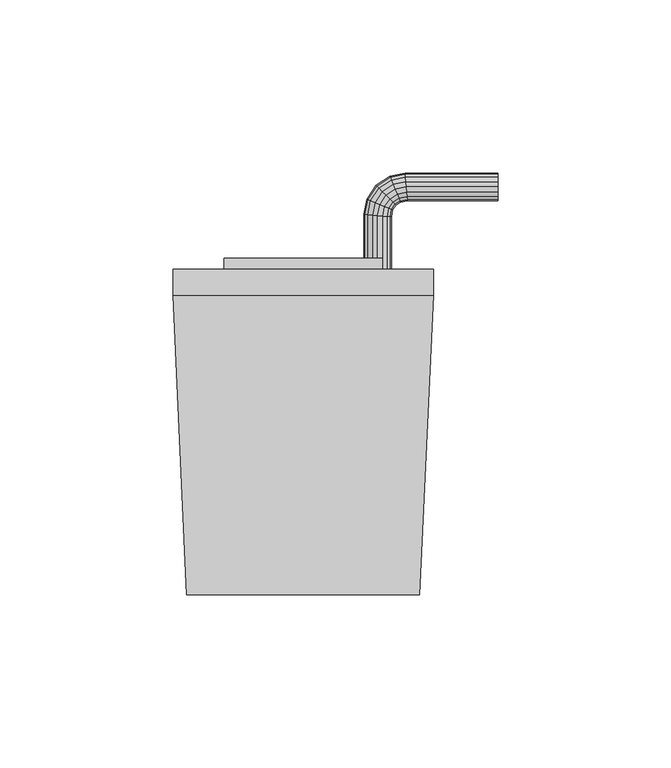
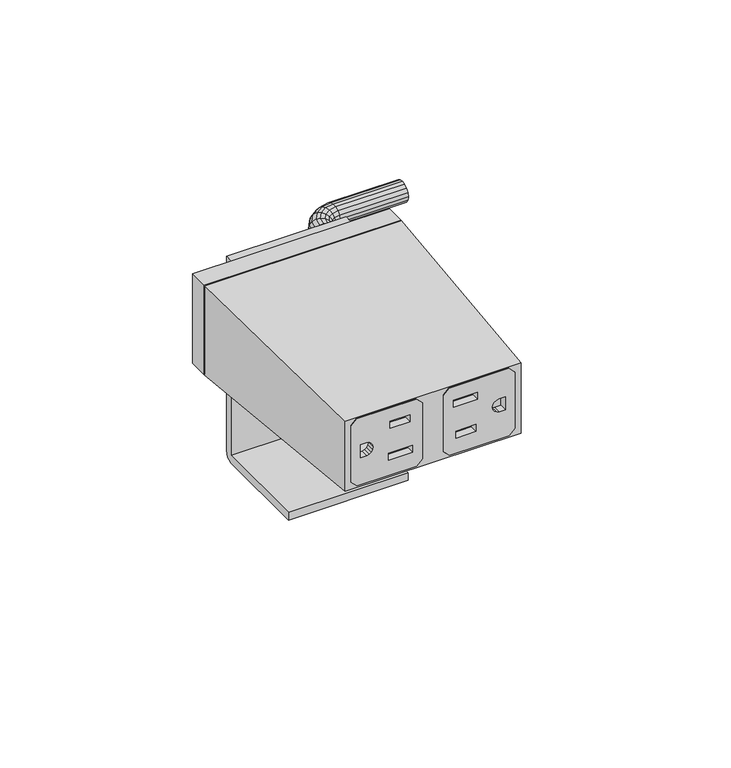
"""IFC4 building model written with IfcOpenShell, lengths in millimetres: furniture geometry."""

from ifc_helpers import new_model, si_unit, frame, origin, place, context, project, spatial, polyline, outline, extrude, faceted_brep, source, transform, mapped, element, save


def furniture_4c536125(model_context):
    return source(origin(), model_context, "Body", "SolidModel", [
        extrude(outline(polyline([(74.8380896, -4.0957506), (77.1240647, -6.3817506), (77.1240647, -28.9877501), (74.8380896, -31.2737502), (52.2323428, -31.2737502), (49.9463688, -28.9877501), (49.9463688, -6.3817506), (52.2323428, -4.0957506), (74.8380896, -4.0957506)]), holes=[polyline([(58.9378678, -17.0497501), (58.9378678, -7.8041503), (56.0931003, -7.8041503), (56.0931003, -17.0497501), (58.9378678, -17.0497501)]), polyline([(60.9190457, -27.7177513), (66.1513878, -27.7177513), (66.1513878, -25.4571494), (65.9522425, -24.455975), (65.3851282, -23.6072169), (64.5363814, -23.0400958), (63.5352162, -22.8409505), (62.5340509, -23.0400958), (61.6853041, -23.6072169), (61.1181898, -24.455975), (60.9190457, -25.4571494), (60.9190457, -27.7177513)]), polyline([(68.8437584, -16.3893503), (71.6885248, -16.3893503), (71.6885248, -8.7185505), (68.8437584, -8.7185505), (68.8437584, -16.3893503)])]), frame((0.0, -88.4491157, 0.0), z_axis=(0.0, 1.0, 0.0), x_axis=(0.0, 0.0, 1.0)), (0.0, 0.0, 1.0), 2.9898066),
        extrude(outline(polyline([(74.8380896, 4.0957506), (52.2323428, 4.0957506), (49.9463688, 6.3817506), (49.9463688, 28.9877501), (52.2323428, 31.2737502), (74.8380896, 31.2737502), (77.1240647, 28.9877501), (77.1240647, 6.3817506), (74.8380896, 4.0957506)]), holes=[polyline([(58.9378678, 8.7185505), (58.9378678, 16.3893503), (56.0931003, 16.3893503), (56.0931003, 8.7185505), (58.9378678, 8.7185505)]), polyline([(68.8437584, 17.0497501), (68.8437584, 7.8041503), (71.6885248, 7.8041503), (71.6885248, 17.0497501), (68.8437584, 17.0497501)]), polyline([(60.9190457, 27.7177513), (60.9190457, 25.4571494), (61.1181898, 24.455975), (61.6853041, 23.6072169), (62.5340509, 23.0400958), (63.5352162, 22.8409505), (64.5363814, 23.0400958), (65.3851282, 23.6072169), (65.9522425, 24.455975), (66.1513878, 25.4571494), (66.1513878, 27.7177513), (60.9190457, 27.7177513)])]), frame((0.0, -88.4491157, 0.0), z_axis=(0.0, 1.0, 0.0), x_axis=(0.0, 0.0, 1.0)), (0.0, 0.0, 1.0), 2.9898066),
        extrude(outline(polyline([(37.592001, -2.032), (-37.592, -2.032), (-37.592, 5.5880001), (37.592001, 5.5880001), (37.592001, -2.032)])), frame((0.0, 0.0, 45.437717), z_axis=(0.0, 0.0, 1.0), x_axis=(1.0, 0.0, 0.0)), (0.0, 0.0, 1.0), 36.1950001),
        faceted_brep([(-37.592, -2.032, 45.437717), (37.592001, -2.032, 45.437717), (33.6550002, -88.3919971, 49.3112173), (-33.6550002, -88.3919971, 49.3112173), (-37.592001, -2.032, 81.6327171), (37.592001, -2.032, 81.6327171), (-33.6550002, -88.3919971, 77.7592162), (33.6550002, -88.3919971, 77.7592162), (6.3817506, -88.3919971, 77.1240647), (28.9877501, -88.3919971, 77.1240647), (31.2737502, -88.3919971, 74.8380896), (31.2737502, -88.3919971, 52.2323428), (28.9877501, -88.3919971, 49.9463688), (6.3817506, -88.3919971, 49.9463688), (4.0957506, -88.3919971, 52.2323428), (4.0957506, -88.3919971, 74.8380896), (-28.9877501, -88.3919971, 77.1240647), (-6.3817506, -88.3919971, 77.1240647), (-4.0957506, -88.3919971, 74.8380896), (-4.0957506, -88.3919971, 52.2323428), (-6.3817506, -88.3919971, 49.9463688), (-28.9877501, -88.3919971, 49.9463688), (-31.2737502, -88.3919971, 52.2323428), (-31.2737502, -88.3919971, 74.8380896), (28.9877501, -85.4593091, 77.1240647), (6.3817506, -85.4593091, 77.1240647), (4.0957506, -85.4593091, 74.8380896), (4.0957506, -85.4593091, 52.2323428), (6.3817506, -85.4593091, 49.9463688), (28.9877501, -85.4593091, 49.9463688), (31.2737502, -85.4593091, 52.2323428), (31.2737502, -85.4593091, 74.8380896), (-28.9877501, -37.5919971, 77.1240647), (-31.2737502, -37.5919971, 74.8380896), (-31.2737502, -37.5919971, 52.2323428), (-28.9877501, -37.5919971, 49.9463688), (-6.3817506, -37.5919971, 49.9463688), (-4.0957506, -37.5919971, 52.2323428), (-4.0957506, -37.5919971, 74.8380896), (-6.3817506, -37.5919971, 77.1240647)], [[[0, 1, 2, 3]], [[1, 0, 4, 5]], [[5, 4, 6, 7]], [[3, 2, 7, 6], [8, 9, 10, 11, 12, 13, 14, 15], [16, 17, 18, 19, 20, 21, 22, 23]], [[2, 1, 5, 7]], [[0, 3, 6, 4]], [[24, 25, 26, 27, 28, 29, 30, 31]], [[25, 24, 9, 8]], [[26, 25, 8, 15]], [[27, 26, 15, 14]], [[28, 27, 14, 13]], [[29, 28, 13, 12]], [[30, 29, 12, 11]], [[31, 30, 11, 10]], [[24, 31, 10, 9]], [[32, 33, 34, 35, 36, 37, 38, 39]], [[32, 39, 17, 16]], [[39, 38, 18, 17]], [[38, 37, 19, 18]], [[37, 36, 20, 19]], [[36, 35, 21, 20]], [[35, 34, 22, 21]], [[34, 33, 23, 22]], [[33, 32, 16, 23]]]),
        faceted_brep([(20.0180808, 5.4788193, 71.5805895), (18.7325876, 5.4769809, 70.7216484), (17.8736479, 5.4757526, 69.436155), (17.5720548, 5.4753213, 67.9199395), (17.873716, 5.4757527, 66.4033622), (18.7325876, 5.4769809, 65.1179684), (20.0180808, 5.4788193, 64.2590296), (21.5344237, 5.4809879, 63.9574083), (23.0507666, 5.4831564, 64.2590296), (24.336262, 5.4849948, 65.1179684), (25.1952006, 5.4862232, 66.4034641), (25.4968196, 5.4866546, 67.9198096), (25.1952006, 5.4862232, 69.436155), (24.336262, 5.4849948, 70.7216484), (23.0507666, 5.4831564, 71.5805895), (21.5344237, 5.4809879, 71.8822085), (19.9956209, 21.1837505, 71.5805895), (18.7099466, 21.3086084, 70.7216484), (17.8508858, 21.3920358, 69.436155), (17.5492502, 21.421329, 67.9199395), (17.8509539, 21.3920291, 66.4033622), (18.7099466, 21.3086084, 65.1179684), (19.9956209, 21.1837505, 64.2590296), (21.5121776, 21.0364707, 63.9574083), (23.0287343, 20.8891908, 64.2590296), (24.3144109, 20.7643327, 65.1179684), (25.1734705, 20.6809054, 66.4034641), (25.475132, 20.6516097, 67.9198096), (25.1734705, 20.6809054, 69.436155), (24.3144109, 20.7643327, 70.7216484), (23.0287343, 20.8891908, 71.5805895), (21.5121776, 21.0364707, 71.8822085), (20.707322, 24.786131, 71.5805895), (19.495763, 25.2861346, 70.7216484), (18.6862245, 25.6202266, 69.436155), (18.4019773, 25.7375338, 67.9199395), (18.6862887, 25.6202001, 66.4033622), (19.495763, 25.2861346, 65.1179684), (20.707322, 24.786131, 64.2590296), (22.1364536, 24.1963364, 63.9574083), (23.5655853, 23.6065418, 64.2590296), (24.7771464, 23.1065373, 65.1179684), (25.5866838, 22.7724457, 66.4034641), (25.8709554, 22.6551284, 67.9198096), (25.5866838, 22.7724457, 69.436155), (24.7771464, 23.1065373, 70.7216484), (23.5655853, 23.6065418, 71.5805895), (22.1364536, 24.1963364, 71.8822085), (22.8277956, 27.9685751, 71.5805895), (21.899804, 28.8941617, 70.7216484), (21.2797394, 29.5126194, 69.436155), (21.0620207, 29.7297739, 67.9199395), (21.2797886, 29.5125704, 66.4033622), (21.899804, 28.8941617, 65.1179684), (22.8277956, 27.9685751, 64.2590296), (23.9224365, 26.876771, 63.9574083), (25.0170775, 25.7849668, 64.2590296), (25.9450707, 24.8593786, 65.1179684), (26.5651345, 24.2409217, 66.4034641), (26.7828718, 24.0237486, 67.9198096), (26.5651345, 24.2409217, 69.436155), (25.9450707, 24.8593786, 70.7216484), (25.0170775, 25.7849668, 71.5805895), (23.9224365, 26.876771, 71.8822085), (26.0047262, 30.0972995, 71.5805895), (25.5015806, 31.3075571, 70.7216484), (25.1653892, 32.116226, 69.436155), (25.0473448, 32.4001679, 67.9199395), (25.1654159, 32.1161619, 66.4033622), (25.5015806, 31.3075571, 65.1179684), (26.0047262, 30.0972995, 64.2590296), (26.5982271, 28.6697029, 63.9574083), (27.1917279, 27.2421064, 64.2590296), (27.6948744, 26.0318467, 65.1179684), (28.0310654, 25.2231789, 66.4034641), (28.1491199, 24.9392126, 67.9198096), (28.0310654, 25.2231789, 69.436155), (27.6948744, 26.0318467, 70.7216484), (27.1917279, 27.2421064, 71.5805895), (26.5982271, 28.6697029, 71.8822085), (29.6057718, 30.8184496, 71.5805895), (29.4780246, 32.1038849, 70.7216484), (29.3926665, 32.962786, 69.436155), (29.3626954, 33.2643656, 67.9199395), (29.3926733, 32.9627179, 66.4033622), (29.4780246, 32.1038849, 65.1179684), (29.6057718, 30.8184496, 64.2590296), (29.75646, 29.3021748, 63.9574083), (29.9071482, 27.7859, 64.2590296), (30.0348956, 26.5004624, 65.1179684), (30.1202536, 25.6415624, 66.4034641), (30.1502273, 25.339957, 67.9198096), (30.1202536, 25.6415624, 69.436155), (30.0348956, 26.5004624, 70.7216484), (29.9071482, 27.7859, 71.5805895), (29.75646, 29.3021748, 71.8822085), (56.2581771, 30.8308094, 71.5805895), (56.2588803, 29.3144651, 71.8822085), (56.2595835, 27.7981208, 71.5805895), (56.2601796, 26.5126242, 70.7216484), (56.2605779, 25.6536848, 69.436155), (56.2607178, 25.3520655, 67.9198096), (56.2605779, 25.6536848, 66.4034641), (56.2601796, 26.5126242, 65.1179684), (56.2595835, 27.7981208, 64.2590296), (56.2588803, 29.3144651, 63.9574083), (56.2581771, 30.8308094, 64.2590296), (56.2575809, 32.1163037, 65.1179684), (56.2571826, 32.9751762, 66.4033622), (56.2570428, 33.2768377, 67.9199395), (56.2571826, 32.9752443, 69.436155), (56.2575809, 32.1163037, 70.7216484)], [[[0, 1, 2, 3, 4, 5, 6, 7, 8, 9, 10, 11, 12, 13, 14, 15]], [[1, 0, 16, 17]], [[2, 1, 17, 18]], [[3, 2, 18, 19]], [[4, 3, 19, 20]], [[5, 4, 20, 21]], [[6, 5, 21, 22]], [[7, 6, 22, 23]], [[8, 7, 23, 24]], [[9, 8, 24, 25]], [[10, 9, 25, 26]], [[11, 10, 26, 27]], [[12, 11, 27, 28]], [[13, 12, 28, 29]], [[14, 13, 29, 30]], [[15, 14, 30, 31]], [[0, 15, 31, 16]], [[17, 16, 32, 33]], [[18, 17, 33, 34]], [[19, 18, 34, 35]], [[20, 19, 35, 36]], [[21, 20, 36, 37]], [[22, 21, 37, 38]], [[23, 22, 38, 39]], [[24, 23, 39, 40]], [[25, 24, 40, 41]], [[26, 25, 41, 42]], [[27, 26, 42, 43]], [[28, 27, 43, 44]], [[29, 28, 44, 45]], [[30, 29, 45, 46]], [[31, 30, 46, 47]], [[16, 31, 47, 32]], [[33, 32, 48, 49]], [[34, 33, 49, 50]], [[35, 34, 50, 51]], [[36, 35, 51, 52]], [[37, 36, 52, 53]], [[38, 37, 53, 54]], [[39, 38, 54, 55]], [[40, 39, 55, 56]], [[41, 40, 56, 57]], [[42, 41, 57, 58]], [[43, 42, 58, 59]], [[44, 43, 59, 60]], [[45, 44, 60, 61]], [[46, 45, 61, 62]], [[47, 46, 62, 63]], [[32, 47, 63, 48]], [[49, 48, 64, 65]], [[50, 49, 65, 66]], [[51, 50, 66, 67]], [[52, 51, 67, 68]], [[53, 52, 68, 69]], [[54, 53, 69, 70]], [[55, 54, 70, 71]], [[56, 55, 71, 72]], [[57, 56, 72, 73]], [[58, 57, 73, 74]], [[59, 58, 74, 75]], [[60, 59, 75, 76]], [[61, 60, 76, 77]], [[62, 61, 77, 78]], [[63, 62, 78, 79]], [[48, 63, 79, 64]], [[65, 64, 80, 81]], [[66, 65, 81, 82]], [[67, 66, 82, 83]], [[68, 67, 83, 84]], [[69, 68, 84, 85]], [[70, 69, 85, 86]], [[71, 70, 86, 87]], [[72, 71, 87, 88]], [[73, 72, 88, 89]], [[74, 73, 89, 90]], [[75, 74, 90, 91]], [[76, 75, 91, 92]], [[77, 76, 92, 93]], [[78, 77, 93, 94]], [[79, 78, 94, 95]], [[64, 79, 95, 80]], [[96, 97, 98, 99, 100, 101, 102, 103, 104, 105, 106, 107, 108, 109, 110, 111]], [[81, 80, 96, 111]], [[82, 81, 111, 110]], [[83, 82, 110, 109]], [[84, 83, 109, 108]], [[85, 84, 108, 107]], [[86, 85, 107, 106]], [[87, 86, 106, 105]], [[88, 87, 105, 104]], [[89, 88, 104, 103]], [[90, 89, 103, 102]], [[91, 90, 102, 101]], [[92, 91, 101, 100]], [[93, 92, 100, 99]], [[94, 93, 99, 98]], [[95, 94, 98, 97]], [[80, 95, 97, 96]]]),
        extrude(outline(polyline([(8.7629999, 81.6327171), (8.7629999, 42.0370008), (7.8330643, 44.2820648), (5.5880001, 45.2120009), (5.5880001, 81.6327171), (8.7629999, 81.6327171)])), frame((-22.8600004, 0.0, 0.0), z_axis=(1.0, 0.0, 0.0), x_axis=(0.0, 1.0, 0.0)), (0.0, 0.0, 1.0), 45.7200018),
        extrude(outline(polyline([(8.7629999, 3.1750015), (7.8330643, 0.9299351), (5.5880001, 0.0), (-32.3850006, 0.0), (-32.3850006, 3.1750015), (5.5880001, 3.1750015), (5.5880001, 40.5130008), (5.141631, 41.5906315), (4.0639999, 42.0370008), (-26.2889996, 42.0370008), (-26.2889996, 45.2120009), (5.5880001, 45.2120009), (7.8330643, 44.2820648), (8.7629999, 42.0370008), (8.7629999, 3.1750015)])), frame((-22.8600004, 0.0, 0.0), z_axis=(1.0, 0.0, 0.0), x_axis=(0.0, 1.0, 0.0)), (0.0, 0.0, 1.0), 45.7200018),
    ])


if __name__ == "__main__":
    model = new_model("IFC4")
    model_context = context("Model", 3, world=origin())
    ifc_project = project(units=[si_unit("LENGTHUNIT", "METRE", prefix="MILLI")], contexts=[model_context])
    site = spatial("IfcSite", under=ifc_project)
    building = spatial("IfcBuilding", under=site)
    placement = place(None, origin())
    furniture_shape = furniture_4c536125(model_context)
    element("IfcFurniture", 1, at=placement, inside=building, context=model_context, shape_type="MappedRepresentation", body=[
        mapped(furniture_shape, transform((0.0, 0.0, 0.0), x_axis=(1.0, 0.0, 0.0), y_axis=(0.0, 1.0, 0.0), z_axis=(0.0, 0.0, 1.0))),
    ])
    save(model, "model.ifc")
